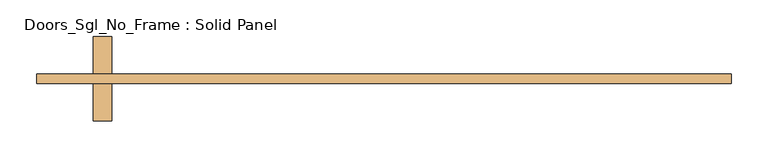
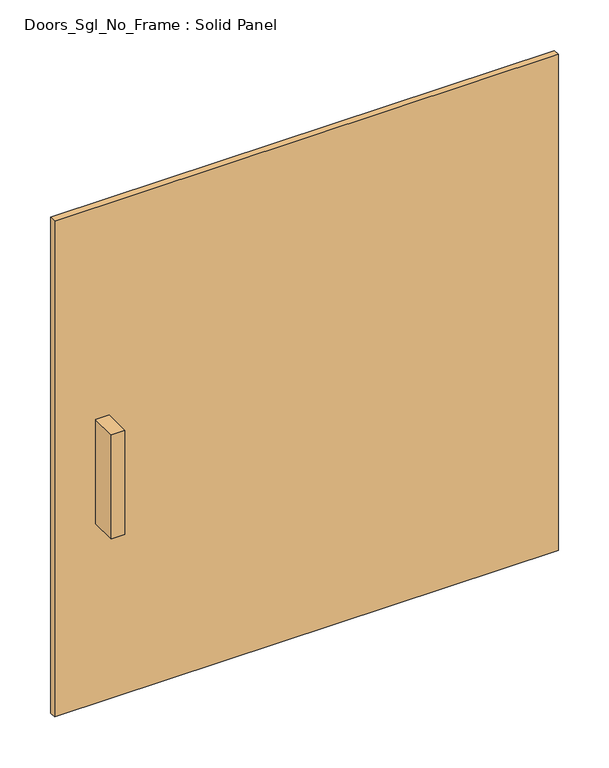
"""IFC4 building model written with IfcOpenShell, lengths in millimetres: door geometry, Doors_Sgl_No_Frame : Solid Panel."""

import ifcopenshell
import ifcopenshell.guid

model = None  # the IFC model being written
_history = None  # IfcOwnerHistory: only IFC2X3 demands one
_inside = {}  # id of a spatial element -> (the spatial element, [elements in it])
_under = {}  # id of a project, library or spatial element -> (it, [spatial elements below it])
_declared = {}  # id of a project -> (the project, [libraries it declares])
_typed = {}  # id of a type object -> (the type object, [elements of that type])
_made_of = {}  # id of a material, layer set ... -> (it, [elements and type objects made of it])


def new_model(schema):
    """Start an empty IFC model of exactly this schema.

    Asked for "IFC4X3", IfcOpenShell would pick the latest addendum, in which some entities
    have other attributes; the version numbers below select the first issue.
    IFC2X3 requires an IfcOwnerHistory on every rooted entity: one is made here for all.
    """
    global model, _history
    if schema == "IFC4X3":
        model = ifcopenshell.file(schema_version=(4, 3, 0, 0))
    else:
        model = ifcopenshell.file(schema=schema)
    _inside.clear()
    _under.clear()
    _declared.clear()
    _typed.clear()
    _made_of.clear()
    _history = None
    if model.schema == "IFC2X3":
        org = make("IfcOrganization", Name="unknown")
        user = make(
            "IfcPersonAndOrganization",
            ThePerson=make("IfcPerson", FamilyName="unknown"),
            TheOrganization=org,
        )
        app = make(
            "IfcApplication",
            ApplicationDeveloper=org,
            Version="unknown",
            ApplicationFullName="unknown",
            ApplicationIdentifier="unknown",
        )
        _history = make(
            "IfcOwnerHistory",
            OwningUser=user,
            OwningApplication=app,
            ChangeAction="ADDED",
            CreationDate=0,
        )
    return model


def make(cls, **values):
    """One entity of the class cls with the attributes given. An attribute that is None is left unset."""
    return model.create_entity(
        cls, **{name: value for name, value in values.items() if value is not None}
    )


def rooted(cls, **values):
    """An entity with a GlobalId (a new one), such as an element, a storey or a relation."""
    return make(cls, GlobalId=ifcopenshell.guid.new(), OwnerHistory=_history, **values)


def si_unit(unit_type, name, prefix=None):
    """IfcSIUnit, for example si_unit("LENGTHUNIT", "METRE", prefix="MILLI")."""
    return make("IfcSIUnit", UnitType=unit_type, Prefix=prefix, Name=name)


def assignment(units):
    """IfcUnitAssignment: the units of a project."""
    return None if units is None else make("IfcUnitAssignment", Units=units)


def point(xyz):
    """IfcCartesianPoint."""
    return None if xyz is None else make("IfcCartesianPoint", Coordinates=xyz)


def direction(xyz):
    """IfcDirection."""
    return None if xyz is None else make("IfcDirection", DirectionRatios=xyz)


def frame(location, z_axis=None, x_axis=None):
    """IfcAxis2Placement3D, a coordinate frame: its origin and axes. An axis left out is left unset."""
    return make(
        "IfcAxis2Placement3D",
        Location=point(location),
        Axis=direction(z_axis),
        RefDirection=direction(x_axis),
    )


def origin():
    """The frame at (0, 0, 0) with its axes left unset."""
    return frame((0.0, 0.0, 0.0))


def origin_with_axes():
    """The frame at (0, 0, 0) with the z axis (0, 0, 1) and the x axis (1, 0, 0) written out."""
    return frame((0.0, 0.0, 0.0), z_axis=(0.0, 0.0, 1.0), x_axis=(1.0, 0.0, 0.0))


def place(relative_to, where):
    """IfcLocalPlacement: puts the frame where relative to a parent placement (None: the world)."""
    return make(
        "IfcLocalPlacement", PlacementRelTo=relative_to, RelativePlacement=where
    )


def context(
    kind, dimensions, precision=None, world=None, true_north=None, identifier=None
):
    """IfcGeometricRepresentationContext, for example the 3D "Model" context."""
    return make(
        "IfcGeometricRepresentationContext",
        ContextIdentifier=identifier,
        ContextType=kind,
        CoordinateSpaceDimension=dimensions,
        Precision=precision,
        WorldCoordinateSystem=world,
        TrueNorth=true_north,
    )


def project(units=None, contexts=None):
    """IfcProject with its units and contexts."""
    return rooted(
        "IfcProject",
        Name="project",
        RepresentationContexts=contexts,
        UnitsInContext=assignment(units),
    )


def spatial(cls, under=None, at=None, **own):
    """A site, building, storey or space (cls), placed at a placement, below another one or the project."""
    s = rooted(cls, ObjectPlacement=at, **own)
    if under is not None:
        _under.setdefault(under.id(), (under, []))[1].append(s)
    return s


def polyline(points):
    """IfcPolyline through the points."""
    return make("IfcPolyline", Points=[point(p) for p in points])


def outline(outer, holes=None, kind="AREA"):
    """IfcArbitraryClosedProfileDef: a profile drawn as a closed curve; with holes, ...WithVoids."""
    if holes is None:
        return make("IfcArbitraryClosedProfileDef", ProfileType=kind, OuterCurve=outer)
    return make(
        "IfcArbitraryProfileDefWithVoids",
        ProfileType=kind,
        OuterCurve=outer,
        InnerCurves=holes,
    )


def extrude(swept, where, along, depth):
    """IfcExtrudedAreaSolid: the profile swept, set in the frame where, extruded along a direction by depth."""
    return make(
        "IfcExtrudedAreaSolid",
        SweptArea=swept,
        Position=where,
        ExtrudedDirection=direction(along),
        Depth=depth,
    )


def shape(context_of_items, identifier, shape_type, items):
    """IfcShapeRepresentation: the items that make up one representation, for example the "Body"."""
    return make(
        "IfcShapeRepresentation",
        ContextOfItems=context_of_items,
        RepresentationIdentifier=identifier,
        RepresentationType=shape_type,
        Items=items,
    )


def source(mapping_origin, context_of_items, identifier, shape_type, items):
    """IfcRepresentationMap: a shape defined once, which mapped items show again and again."""
    return make(
        "IfcRepresentationMap",
        MappingOrigin=mapping_origin,
        MappedRepresentation=shape(context_of_items, identifier, shape_type, items),
    )


def transform(
    local_origin,
    x_axis=None,
    y_axis=None,
    z_axis=None,
    scale=None,
    scale2=None,
    scale3=None,
    uniform=True,
):
    """IfcCartesianTransformationOperator3D, or its non-uniform kind. x_axis, y_axis, z_axis: its Axis1, 2, 3."""
    if uniform:
        return make(
            "IfcCartesianTransformationOperator3D",
            Axis1=direction(x_axis),
            Axis2=direction(y_axis),
            LocalOrigin=point(local_origin),
            Scale=scale,
            Axis3=direction(z_axis),
        )
    return make(
        "IfcCartesianTransformationOperator3DnonUniform",
        Axis1=direction(x_axis),
        Axis2=direction(y_axis),
        LocalOrigin=point(local_origin),
        Scale=scale,
        Axis3=direction(z_axis),
        Scale2=scale2,
        Scale3=scale3,
    )


def mapped(mapping_source, mapping_target):
    """IfcMappedItem: shows the shape of a source again, moved by a transform."""
    return make(
        "IfcMappedItem", MappingSource=mapping_source, MappingTarget=mapping_target
    )


def made_of(thing, what):
    """Note that an element or type object is made of a material, layer set ...; save() writes the relation."""
    if what is not None:
        _made_of.setdefault(what.id(), (what, []))[1].append(thing)
    return thing


def element(
    cls,
    number,
    at=None,
    inside=None,
    cuts=None,
    type_object=None,
    material=None,
    context=None,
    identifier="Body",
    shape_type=None,
    held_by="IfcProductDefinitionShape",
    body=None,
    shapes=None,
    **own,
):
    """One element of the class cls, such as IfcWall. Its Tag is "e" and its number.

    at: its placement. inside: the storey or other place that contains it. cuts: it is an
    opening in that element (IfcRelVoidsElement). A single representation is given by context,
    identifier, shape_type and body (its items); several are given by shapes. held_by: the class
    of the entity that holds the representations. save() writes the other relations.
    """
    e = rooted(cls, Tag="e%d" % number, ObjectPlacement=at, **own)
    if body is not None:
        shapes = [shape(context, identifier, shape_type, body)]
    if shapes is not None:
        e.Representation = make(held_by, Representations=shapes)
    if inside is not None:
        _inside.setdefault(inside.id(), (inside, []))[1].append(e)
    if cuts is not None:
        rooted(
            "IfcRelVoidsElement", RelatingBuildingElement=cuts, RelatedOpeningElement=e
        )
    if type_object is not None:
        _typed.setdefault(type_object.id(), (type_object, []))[1].append(e)
    return made_of(e, material)


def aggregate(whole, parts):
    """IfcRelAggregates: a whole, such as a stair, and the parts it consists of."""
    return rooted("IfcRelAggregates", RelatingObject=whole, RelatedObjects=parts)


def save(model, path):
    """Write the relations noted so far, then the file.

    IfcRelAggregates (storeys below a building ...), IfcRelContainedInSpatialStructure (elements
    in a storey), IfcRelDefinesByType, IfcRelAssociatesMaterial and IfcRelDeclares: one each for
    every whole, place, type object, material and project.
    """
    for whole, parts in _under.values():
        aggregate(whole, parts)
    for where, things in _inside.values():
        rooted(
            "IfcRelContainedInSpatialStructure",
            RelatedElements=things,
            RelatingStructure=where,
        )
    for kind, things in _typed.values():
        rooted("IfcRelDefinesByType", RelatedObjects=things, RelatingType=kind)
    for what, things in _made_of.values():
        rooted("IfcRelAssociatesMaterial", RelatedObjects=things, RelatingMaterial=what)
    for by, libraries in _declared.values():
        rooted("IfcRelDeclares", RelatingContext=by, RelatedDefinitions=libraries)
    model.write(path)


def doors_sgl_no_frame_solid_panel_121a2be1(model_context):
    return source(origin(), model_context, "Body", "SweptSolid", [
        extrude(outline(polyline([(469.9, -50.8), (-469.9, -50.8), (-469.9, -38.1), (469.9, -38.1), (469.9, -50.8)])), origin_with_axes(), (0.0, 0.0, 1.0), 977.9),
        extrude(outline(polyline([(-393.7, -101.6), (-393.7, -50.8), (-368.3, -50.8), (-368.3, -101.6), (-393.7, -101.6)])), frame((0.0, 0.0, 355.6), z_axis=(0.0, 0.0, 1.0), x_axis=(1.0, 0.0, 0.0)), (0.0, 0.0, 1.0), 204.7947268),
        extrude(outline(polyline([(-368.3, 12.7), (-368.3, -38.1), (-393.7, -38.1), (-393.7, 12.7), (-368.3, 12.7)])), frame((0.0, 0.0, 355.6), z_axis=(0.0, 0.0, 1.0), x_axis=(1.0, 0.0, 0.0)), (0.0, 0.0, 1.0), 204.7947268),
    ])


if __name__ == "__main__":
    model = new_model("IFC4")
    model_context = context("Model", 3, world=origin())
    ifc_project = project(units=[si_unit("LENGTHUNIT", "METRE", prefix="MILLI")], contexts=[model_context])
    site = spatial("IfcSite", under=ifc_project)
    building = spatial("IfcBuilding", under=site)
    placement = place(None, origin())
    doors_sgl_no_frame_solid_panel_shape = doors_sgl_no_frame_solid_panel_121a2be1(model_context)
    element("IfcDoor", 1, ObjectType="Doors_Sgl_No_Frame : Solid Panel", at=placement, inside=building, context=model_context, shape_type="MappedRepresentation", body=[
        mapped(doors_sgl_no_frame_solid_panel_shape, transform((0.0, 0.0, 0.0), x_axis=(1.0, 0.0, 0.0), y_axis=(0.0, 1.0, 0.0), z_axis=(0.0, 0.0, 1.0))),
    ])
    save(model, "model.ifc")
